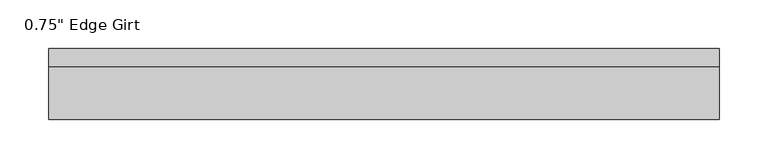
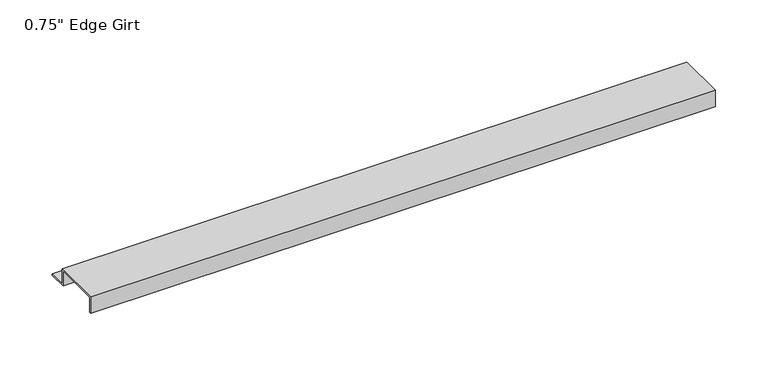
"""IFC4 building model written with IfcOpenShell, lengths in millimetres: proxy geometry."""

from ifc_helpers import new_model, si_unit, frame, origin, place, context, project, spatial, polyline, outline, extrude, source, transform, mapped, element, save


def proxy_2ea5a1dd(model_context):
    return source(origin(), model_context, "Body", "SweptSolid", [
        extrude(outline(polyline([(46.0559645, -17.4375), (25.4, -17.4375), (25.4, 0.0), (-25.4, 0.0), (-25.4, -17.4375), (-27.0129, -17.4375), (-27.0129, 1.6129), (27.0129, 1.6129), (27.0129, -15.8242), (46.0559645, -15.8242), (46.0559645, -17.4375)])), frame((0.0, 0.0, 0.0), z_axis=(1.0, 0.0, 0.0), x_axis=(0.0, 1.0, 0.0)), (0.0, 0.0, 1.0), 689.0119291),
    ])


if __name__ == "__main__":
    model = new_model("IFC4")
    model_context = context("Model", 3, world=origin())
    ifc_project = project(units=[si_unit("LENGTHUNIT", "METRE", prefix="MILLI")], contexts=[model_context])
    site = spatial("IfcSite", under=ifc_project)
    building = spatial("IfcBuilding", under=site)
    placement = place(None, origin())
    proxy_shape = proxy_2ea5a1dd(model_context)
    element("IfcBuildingElementProxy", 1, Name="0.75\" Edge Girt", ObjectType="0.75\" Edge Girt", at=placement, inside=building, context=model_context, shape_type="MappedRepresentation", body=[
        mapped(proxy_shape, transform((0.0, 0.0, 0.0), x_axis=(1.0, 0.0, 0.0), y_axis=(0.0, 1.0, 0.0), z_axis=(0.0, 0.0, 1.0))),
    ])
    save(model, "model.ifc")
